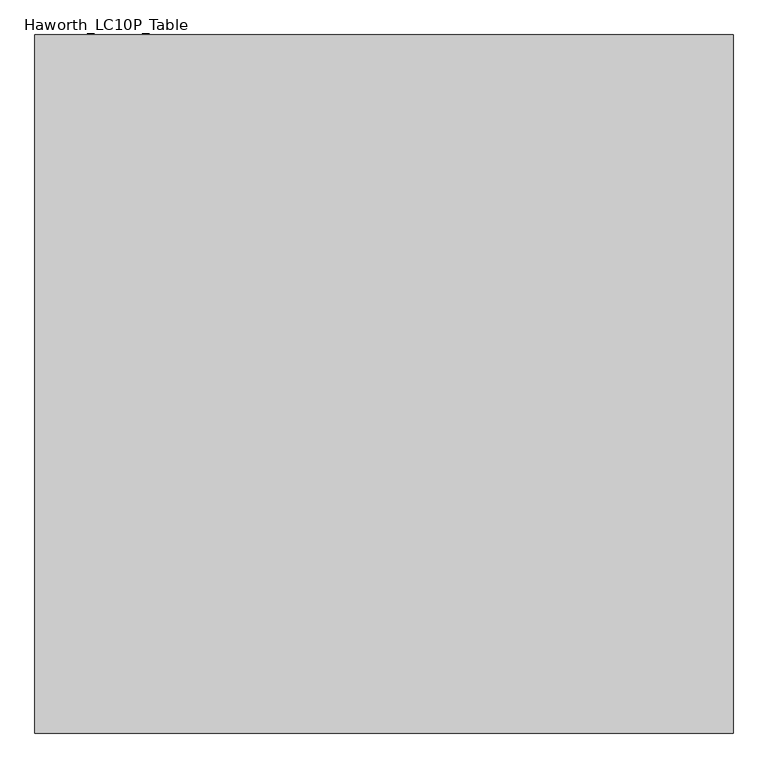
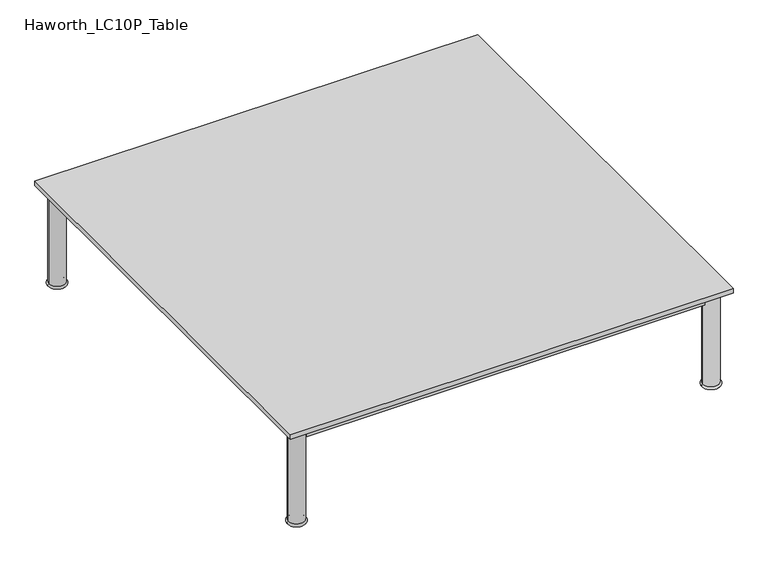
"""IFC4 building model written with IfcOpenShell, lengths in millimetres: furniture geometry, Haworth_LC10P_Table."""

from ifc_helpers import new_model, si_unit, point, frame, origin, place, context, project, spatial, polyline, circle_curve, ellipse_curve, trimmed, outline, extrude, source, transform, mapped, element, save
from ifc_brep_helpers import plane_surface, cylinder_surface, revolved_surface, advanced_brep


def haworth_lc10p_table_a6d42cc5(model_context):
    return source(origin(), model_context, "Body", "SolidModel", [
        extrude(outline(polyline([(628.65, -648.5549408), (628.65, -667.6049408), (-628.65, -667.6049408), (-628.65, -648.5549408), (628.65, -648.5549408)])), frame((0.0, 0.0, 277.8125), z_axis=(0.0, 0.0, 1.0), x_axis=(1.0, 0.0, 0.0)), (0.0, 0.0, 1.0), 33.3375),
        extrude(outline(polyline([(628.65, 659.5450592), (628.65, 640.4950592), (-628.65, 640.4950592), (-628.65, 659.5450592), (628.65, 659.5450592)])), frame((0.0, 0.0, 277.8125), z_axis=(0.0, 0.0, 1.0), x_axis=(1.0, 0.0, 0.0)), (0.0, 0.0, 1.0), 33.3375),
        extrude(outline(polyline([(-644.525, 624.6200592), (-644.525, -632.6799408), (-663.575, -632.6799408), (-663.575, 624.6200592), (-644.525, 624.6200592)])), frame((0.0, 0.0, 277.8125), z_axis=(0.0, 0.0, 1.0), x_axis=(1.0, 0.0, 0.0)), (0.0, 0.0, 1.0), 33.3375),
        extrude(outline(polyline([(663.575, 624.6200592), (663.575, -632.6799408), (644.525, -632.6799408), (644.525, 624.6200592), (663.575, 624.6200592)])), frame((0.0, 0.0, 277.8125), z_axis=(0.0, 0.0, 1.0), x_axis=(1.0, 0.0, 0.0)), (0.0, 0.0, 1.0), 33.3375),
        advanced_brep(
        [(628.65, 650.0200592, 0.0), (679.45, 650.0200592, 0.0), (679.45, 650.0200592, 7.9375), (628.65, 650.0200592, 7.9375), (679.45, 650.0200592, 311.15), (628.65, 650.0200592, 311.15), (679.45, 650.0200592, 315.9125), (628.65, 650.0200592, 315.9125), (654.05, 650.0200592, 315.9125), (654.05, 650.0200592, 0.0)],
        [
            (0, 1, circle_curve(frame((654.05, 650.0200592, 0.0), z_axis=(0.0, 0.0, 1.0), x_axis=(1.0, 0.0, 0.0)), 25.4)),
            (1, 2, circle_curve(frame((679.45, 650.0200592, 3.96875), z_axis=(0.0, -1.0, 0.0), x_axis=(-1.0, 0.0, 0.0)), 3.96875)),
            (2, 3, circle_curve(frame((654.05, 650.0200592, 7.9375), z_axis=(0.0, 0.0, -1.0), x_axis=(1.0, 0.0, 0.0)), 25.4)),
            (3, 0, circle_curve(frame((628.65, 650.0200592, 3.96875), z_axis=(0.0, -1.0, 0.0), x_axis=(1.0, 0.0, 0.0)), 3.96875)),
            (1, 0, circle_curve(frame((654.05, 650.0200592, 0.0), z_axis=(0.0, 0.0, 1.0), x_axis=(1.0, 0.0, 0.0)), 25.4)),
            (3, 2, circle_curve(frame((654.05, 650.0200592, 7.9375), z_axis=(0.0, 0.0, -1.0), x_axis=(1.0, 0.0, 0.0)), 25.4)),
            (2, 4),
            (4, 5, circle_curve(frame((654.05, 650.0200592, 311.15), z_axis=(0.0, 0.0, -1.0), x_axis=(1.0, 0.0, 0.0)), 25.4)),
            (5, 3),
            (5, 4, circle_curve(frame((654.05, 650.0200592, 311.15), z_axis=(0.0, 0.0, -1.0), x_axis=(1.0, 0.0, 0.0)), 25.4)),
            (4, 6),
            (6, 7, circle_curve(frame((654.05, 650.0200592, 315.9125), z_axis=(0.0, 0.0, -1.0), x_axis=(1.0, 0.0, 0.0)), 25.4)),
            (7, 5),
            (7, 6, circle_curve(frame((654.05, 650.0200592, 315.9125), z_axis=(0.0, 0.0, -1.0), x_axis=(1.0, 0.0, 0.0)), 25.4)),
            (6, 8),
            (8, 7),
            (9, 1),
            (0, 9),
        ],
        [
            revolved_surface(trimmed(ellipse_curve(frame((679.45, 650.0200592, 3.96875), z_axis=(0.0, 1.0, 0.0), x_axis=(-1.0, 0.0, 0.0)), 3.96875, 3.96875), [point((679.45, 650.0200592, 7.9375))], [point((679.45, 650.0200592, 0.0))], True, "CARTESIAN"), (654.05, 650.0200592, 2070.1), (0.0, 0.0, -1.0)),
            cylinder_surface(frame((654.05, 650.0200592, 2070.1), z_axis=(0.0, 0.0, -1.0), x_axis=(1.0, 0.0, 0.0)), 25.4),
            plane_surface(frame((654.05, 650.0200592, 315.9125), z_axis=(0.0, 0.0, 1.0), x_axis=(1.0, 0.0, 0.0))),
            plane_surface(frame((654.05, 650.0200592, 0.0), z_axis=(0.0, 0.0, -1.0), x_axis=(1.0, 0.0, 0.0))),
        ],
        [
            (0, [[1, 2, 3, 4]]),
            (0, [[5, -4, 6, -2]]),
            (1, [[-3, 7, 8, 9]]),
            (1, [[-6, -9, 10, -7]]),
            (1, [[-8, 11, 12, 13]]),
            (1, [[-10, -13, 14, -11]]),
            (2, [[-12, 15, 16]]),
            (2, [[-14, -16, -15]]),
            (3, [[17, -1, 18]]),
            (3, [[-18, -5, -17]]),
        ],
    ),
        advanced_brep(
        [(-628.65, 650.0200592, 7.9375), (-679.45, 650.0200592, 7.9375), (-679.45, 650.0200592, 0.0), (-628.65, 650.0200592, 0.0), (-628.65, 650.0200592, 311.15), (-679.45, 650.0200592, 311.15), (-628.65, 650.0200592, 315.9125), (-679.45, 650.0200592, 315.9125), (-654.05, 650.0200592, 315.9125), (-654.05, 650.0200592, 0.0)],
        [
            (0, 1, circle_curve(frame((-654.05, 650.0200592, 7.9375), z_axis=(0.0, 0.0, -1.0), x_axis=(-1.0, 0.0, 0.0)), 25.4)),
            (1, 2, circle_curve(frame((-679.45, 650.0200592, 3.96875), z_axis=(0.0, -1.0, 0.0), x_axis=(-1.0, 0.0, 0.0)), 3.96875)),
            (2, 3, circle_curve(frame((-654.05, 650.0200592, 0.0), z_axis=(0.0, 0.0, 1.0), x_axis=(-1.0, 0.0, 0.0)), 25.4)),
            (3, 0, circle_curve(frame((-628.65, 650.0200592, 3.96875), z_axis=(0.0, -1.0, 0.0), x_axis=(1.0, 0.0, 0.0)), 3.96875)),
            (1, 0, circle_curve(frame((-654.05, 650.0200592, 7.9375), z_axis=(0.0, 0.0, -1.0), x_axis=(-1.0, 0.0, 0.0)), 25.4)),
            (3, 2, circle_curve(frame((-654.05, 650.0200592, 0.0), z_axis=(0.0, 0.0, 1.0), x_axis=(-1.0, 0.0, 0.0)), 25.4)),
            (4, 5, circle_curve(frame((-654.05, 650.0200592, 311.15), z_axis=(0.0, 0.0, -1.0), x_axis=(-1.0, 0.0, 0.0)), 25.4)),
            (5, 1),
            (0, 4),
            (5, 4, circle_curve(frame((-654.05, 650.0200592, 311.15), z_axis=(0.0, 0.0, -1.0), x_axis=(-1.0, 0.0, 0.0)), 25.4)),
            (6, 7, circle_curve(frame((-654.05, 650.0200592, 315.9125), z_axis=(0.0, 0.0, -1.0), x_axis=(-1.0, 0.0, 0.0)), 25.4)),
            (7, 5),
            (4, 6),
            (7, 6, circle_curve(frame((-654.05, 650.0200592, 315.9125), z_axis=(0.0, 0.0, -1.0), x_axis=(-1.0, 0.0, 0.0)), 25.4)),
            (8, 7),
            (6, 8),
            (2, 9),
            (9, 3),
        ],
        [
            revolved_surface(trimmed(ellipse_curve(frame((-679.45, 650.0200592, 3.96875), z_axis=(0.0, 1.0, 0.0), x_axis=(-1.0, 0.0, 0.0)), 3.96875, 3.96875), [point((-679.45, 650.0200592, 0.0))], [point((-679.45, 650.0200592, 7.9375))], True, "CARTESIAN"), (-654.05, 650.0200592, 2070.1), (0.0, 0.0, 1.0)),
            cylinder_surface(frame((-654.05, 650.0200592, 2070.1), z_axis=(0.0, 0.0, 1.0), x_axis=(-1.0, 0.0, 0.0)), 25.4),
            plane_surface(frame((-654.05, 650.0200592, 315.9125), z_axis=(0.0, 0.0, 1.0), x_axis=(-1.0, 0.0, 0.0))),
            plane_surface(frame((-654.05, 650.0200592, 0.0), z_axis=(0.0, 0.0, -1.0), x_axis=(-1.0, 0.0, 0.0))),
        ],
        [
            (0, [[1, 2, 3, 4]]),
            (0, [[5, -4, 6, -2]]),
            (1, [[7, 8, -1, 9]]),
            (1, [[10, -9, -5, -8]]),
            (1, [[11, 12, -7, 13]]),
            (1, [[14, -13, -10, -12]]),
            (2, [[15, -11, 16]]),
            (2, [[-16, -14, -15]]),
            (3, [[-3, 17, 18]]),
            (3, [[-6, -18, -17]]),
        ],
    ),
        advanced_brep(
        [(628.3957141, -658.0799408, 0.0), (679.7042859, -658.0799408, 0.0), (679.45, -658.0799408, 7.9293453), (628.65, -658.0799408, 7.9293453), (679.45, -658.0799408, 311.15), (628.65, -658.0799408, 311.15), (679.45, -658.0799408, 315.9125), (628.65, -658.0799408, 315.9125), (654.05, -658.0799408, 315.9125), (654.05, -658.0799408, 0.0)],
        [
            (0, 1, circle_curve(frame((654.05, -658.0799408, 0.0), z_axis=(0.0, 0.0, 1.0), x_axis=(1.0, 0.0, 0.0)), 25.6542859)),
            (1, 2, circle_curve(frame((679.7042859, -658.0799408, 3.96875), z_axis=(0.0, -1.0, 0.0), x_axis=(1.0, 0.0, 0.0)), 3.96875)),
            (2, 3, circle_curve(frame((654.05, -658.0799408, 7.9293453), z_axis=(0.0, 0.0, -1.0), x_axis=(1.0, 0.0, 0.0)), 25.4)),
            (3, 0, circle_curve(frame((628.3957141, -658.0799408, 3.96875), z_axis=(0.0, -1.0, 0.0), x_axis=(-1.0, 0.0, 0.0)), 3.96875)),
            (1, 0, circle_curve(frame((654.05, -658.0799408, 0.0), z_axis=(0.0, 0.0, 1.0), x_axis=(1.0, 0.0, 0.0)), 25.6542859)),
            (3, 2, circle_curve(frame((654.05, -658.0799408, 7.9293453), z_axis=(0.0, 0.0, -1.0), x_axis=(1.0, 0.0, 0.0)), 25.4)),
            (2, 4),
            (4, 5, circle_curve(frame((654.05, -658.0799408, 311.15), z_axis=(0.0, 0.0, -1.0), x_axis=(1.0, 0.0, 0.0)), 25.4)),
            (5, 3),
            (5, 4, circle_curve(frame((654.05, -658.0799408, 311.15), z_axis=(0.0, 0.0, -1.0), x_axis=(1.0, 0.0, 0.0)), 25.4)),
            (4, 6),
            (6, 7, circle_curve(frame((654.05, -658.0799408, 315.9125), z_axis=(0.0, 0.0, -1.0), x_axis=(1.0, 0.0, 0.0)), 25.4)),
            (7, 5),
            (7, 6, circle_curve(frame((654.05, -658.0799408, 315.9125), z_axis=(0.0, 0.0, -1.0), x_axis=(1.0, 0.0, 0.0)), 25.4)),
            (6, 8),
            (8, 7),
            (9, 1),
            (0, 9),
        ],
        [
            revolved_surface(trimmed(ellipse_curve(frame((679.7042859, -658.0799408, 3.96875), z_axis=(0.0, 1.0, 0.0), x_axis=(1.0, 0.0, 0.0)), 3.96875, 3.96875), [point((679.45, -658.0799408, 7.9293453))], [point((679.7042859, -658.0799408, 0.0))], True, "CARTESIAN"), (654.05, -658.0799408, 2070.1), (0.0, 0.0, -1.0)),
            cylinder_surface(frame((654.05, -658.0799408, 2070.1), z_axis=(0.0, 0.0, -1.0), x_axis=(1.0, 0.0, 0.0)), 25.4),
            plane_surface(frame((654.05, -658.0799408, 315.9125), z_axis=(0.0, 0.0, 1.0), x_axis=(1.0, 0.0, 0.0))),
            plane_surface(frame((654.05, -658.0799408, 0.0), z_axis=(0.0, 0.0, -1.0), x_axis=(1.0, 0.0, 0.0))),
        ],
        [
            (0, [[1, 2, 3, 4]]),
            (0, [[5, -4, 6, -2]]),
            (1, [[-3, 7, 8, 9]]),
            (1, [[-6, -9, 10, -7]]),
            (1, [[-8, 11, 12, 13]]),
            (1, [[-10, -13, 14, -11]]),
            (2, [[-12, 15, 16]]),
            (2, [[-14, -16, -15]]),
            (3, [[17, -1, 18]]),
            (3, [[-18, -5, -17]]),
        ],
    ),
        advanced_brep(
        [(-628.65, -658.0799408, 7.9375), (-679.45, -658.0799408, 7.9375), (-679.45, -658.0799408, 0.0), (-628.65, -658.0799408, 0.0), (-628.65, -658.0799408, 311.15), (-679.45, -658.0799408, 311.15), (-628.65, -658.0799408, 315.9125), (-679.45, -658.0799408, 315.9125), (-654.05, -658.0799408, 315.9125), (-654.05, -658.0799408, 0.0)],
        [
            (0, 1, circle_curve(frame((-654.05, -658.0799408, 7.9375), z_axis=(0.0, 0.0, -1.0), x_axis=(-1.0, 0.0, 0.0)), 25.4)),
            (1, 2, circle_curve(frame((-679.45, -658.0799408, 3.96875), z_axis=(0.0, -1.0, 0.0), x_axis=(-1.0, 0.0, 0.0)), 3.96875)),
            (2, 3, circle_curve(frame((-654.05, -658.0799408, 0.0), z_axis=(0.0, 0.0, 1.0), x_axis=(-1.0, 0.0, 0.0)), 25.4)),
            (3, 0, circle_curve(frame((-628.65, -658.0799408, 3.96875), z_axis=(0.0, -1.0, 0.0), x_axis=(1.0, 0.0, 0.0)), 3.96875)),
            (1, 0, circle_curve(frame((-654.05, -658.0799408, 7.9375), z_axis=(0.0, 0.0, -1.0), x_axis=(-1.0, 0.0, 0.0)), 25.4)),
            (3, 2, circle_curve(frame((-654.05, -658.0799408, 0.0), z_axis=(0.0, 0.0, 1.0), x_axis=(-1.0, 0.0, 0.0)), 25.4)),
            (4, 5, circle_curve(frame((-654.05, -658.0799408, 311.15), z_axis=(0.0, 0.0, -1.0), x_axis=(-1.0, 0.0, 0.0)), 25.4)),
            (5, 1),
            (0, 4),
            (5, 4, circle_curve(frame((-654.05, -658.0799408, 311.15), z_axis=(0.0, 0.0, -1.0), x_axis=(-1.0, 0.0, 0.0)), 25.4)),
            (6, 7, circle_curve(frame((-654.05, -658.0799408, 315.9125), z_axis=(0.0, 0.0, -1.0), x_axis=(-1.0, 0.0, 0.0)), 25.4)),
            (7, 5),
            (4, 6),
            (7, 6, circle_curve(frame((-654.05, -658.0799408, 315.9125), z_axis=(0.0, 0.0, -1.0), x_axis=(-1.0, 0.0, 0.0)), 25.4)),
            (8, 7),
            (6, 8),
            (2, 9),
            (9, 3),
        ],
        [
            revolved_surface(trimmed(ellipse_curve(frame((-679.45, -658.0799408, 3.96875), z_axis=(0.0, 1.0, 0.0), x_axis=(-1.0, 0.0, 0.0)), 3.96875, 3.96875), [point((-679.45, -658.0799408, 0.0))], [point((-679.45, -658.0799408, 7.9375))], True, "CARTESIAN"), (-654.05, -658.0799408, 2070.1), (0.0, 0.0, 1.0)),
            cylinder_surface(frame((-654.05, -658.0799408, 2070.1), z_axis=(0.0, 0.0, 1.0), x_axis=(-1.0, 0.0, 0.0)), 25.4),
            plane_surface(frame((-654.05, -658.0799408, 315.9125), z_axis=(0.0, 0.0, 1.0), x_axis=(-1.0, 0.0, 0.0))),
            plane_surface(frame((-654.05, -658.0799408, 0.0), z_axis=(0.0, 0.0, -1.0), x_axis=(-1.0, 0.0, 0.0))),
        ],
        [
            (0, [[1, 2, 3, 4]]),
            (0, [[5, -4, 6, -2]]),
            (1, [[7, 8, -1, 9]]),
            (1, [[10, -9, -5, -8]]),
            (1, [[11, 12, -7, 13]]),
            (1, [[14, -13, -10, -12]]),
            (2, [[15, -11, 16]]),
            (2, [[-16, -14, -15]]),
            (3, [[-3, 17, 18]]),
            (3, [[-6, -18, -17]]),
        ],
    ),
        extrude(outline(polyline([(698.5, 694.4700592), (698.5, -702.5299408), (-698.5, -702.5299408), (-698.5, 694.4700592), (698.5, 694.4700592)])), frame((0.0, 0.0, 315.9125), z_axis=(0.0, 0.0, 1.0), x_axis=(1.0, 0.0, 0.0)), (0.0, 0.0, 1.0), 14.2875),
    ])


if __name__ == "__main__":
    model = new_model("IFC4")
    model_context = context("Model", 3, world=origin())
    ifc_project = project(units=[si_unit("LENGTHUNIT", "METRE", prefix="MILLI")], contexts=[model_context])
    site = spatial("IfcSite", under=ifc_project)
    building = spatial("IfcBuilding", under=site)
    placement = place(None, origin())
    haworth_lc10p_table_shape = haworth_lc10p_table_a6d42cc5(model_context)
    element("IfcFurniture", 1, ObjectType="Haworth_LC10P_Table", at=placement, inside=building, context=model_context, shape_type="MappedRepresentation", body=[
        mapped(haworth_lc10p_table_shape, transform((0.0, 0.0, 0.0), x_axis=(1.0, 0.0, 0.0), y_axis=(0.0, 1.0, 0.0), z_axis=(0.0, 0.0, 1.0))),
    ])
    save(model, "model.ifc")
